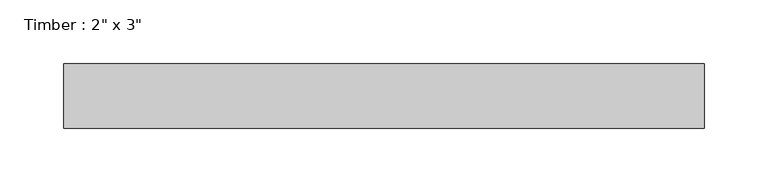
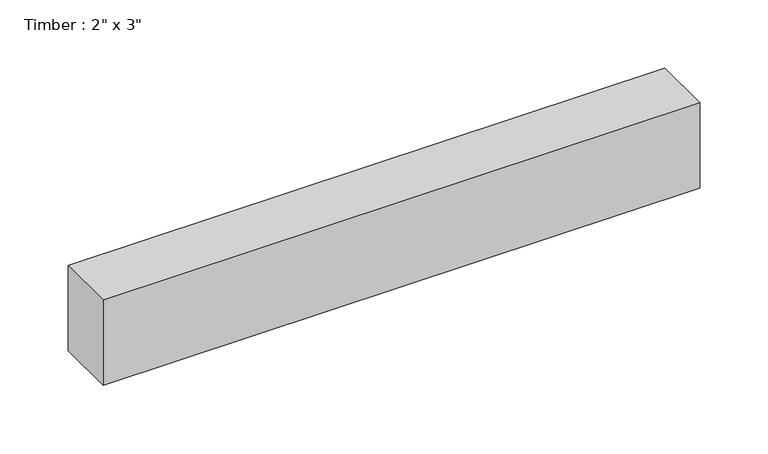
"""IFC4 building model written with IfcOpenShell, lengths in millimetres: beam geometry."""

import ifcopenshell
import ifcopenshell.guid

model = None  # the IFC model being written
_history = None  # IfcOwnerHistory: only IFC2X3 demands one
_inside = {}  # id of a spatial element -> (the spatial element, [elements in it])
_under = {}  # id of a project, library or spatial element -> (it, [spatial elements below it])
_declared = {}  # id of a project -> (the project, [libraries it declares])
_typed = {}  # id of a type object -> (the type object, [elements of that type])
_made_of = {}  # id of a material, layer set ... -> (it, [elements and type objects made of it])


def new_model(schema):
    """Start an empty IFC model of exactly this schema.

    Asked for "IFC4X3", IfcOpenShell would pick the latest addendum, in which some entities
    have other attributes; the version numbers below select the first issue.
    IFC2X3 requires an IfcOwnerHistory on every rooted entity: one is made here for all.
    """
    global model, _history
    if schema == "IFC4X3":
        model = ifcopenshell.file(schema_version=(4, 3, 0, 0))
    else:
        model = ifcopenshell.file(schema=schema)
    _inside.clear()
    _under.clear()
    _declared.clear()
    _typed.clear()
    _made_of.clear()
    _history = None
    if model.schema == "IFC2X3":
        org = make("IfcOrganization", Name="unknown")
        user = make(
            "IfcPersonAndOrganization",
            ThePerson=make("IfcPerson", FamilyName="unknown"),
            TheOrganization=org,
        )
        app = make(
            "IfcApplication",
            ApplicationDeveloper=org,
            Version="unknown",
            ApplicationFullName="unknown",
            ApplicationIdentifier="unknown",
        )
        _history = make(
            "IfcOwnerHistory",
            OwningUser=user,
            OwningApplication=app,
            ChangeAction="ADDED",
            CreationDate=0,
        )
    return model


def make(cls, **values):
    """One entity of the class cls with the attributes given. An attribute that is None is left unset."""
    return model.create_entity(
        cls, **{name: value for name, value in values.items() if value is not None}
    )


def rooted(cls, **values):
    """An entity with a GlobalId (a new one), such as an element, a storey or a relation."""
    return make(cls, GlobalId=ifcopenshell.guid.new(), OwnerHistory=_history, **values)


def si_unit(unit_type, name, prefix=None):
    """IfcSIUnit, for example si_unit("LENGTHUNIT", "METRE", prefix="MILLI")."""
    return make("IfcSIUnit", UnitType=unit_type, Prefix=prefix, Name=name)


def assignment(units):
    """IfcUnitAssignment: the units of a project."""
    return None if units is None else make("IfcUnitAssignment", Units=units)


def point(xyz):
    """IfcCartesianPoint."""
    return None if xyz is None else make("IfcCartesianPoint", Coordinates=xyz)


def direction(xyz):
    """IfcDirection."""
    return None if xyz is None else make("IfcDirection", DirectionRatios=xyz)


def frame(location, z_axis=None, x_axis=None):
    """IfcAxis2Placement3D, a coordinate frame: its origin and axes. An axis left out is left unset."""
    return make(
        "IfcAxis2Placement3D",
        Location=point(location),
        Axis=direction(z_axis),
        RefDirection=direction(x_axis),
    )


def origin():
    """The frame at (0, 0, 0) with its axes left unset."""
    return frame((0.0, 0.0, 0.0))


def place(relative_to, where):
    """IfcLocalPlacement: puts the frame where relative to a parent placement (None: the world)."""
    return make(
        "IfcLocalPlacement", PlacementRelTo=relative_to, RelativePlacement=where
    )


def context(
    kind, dimensions, precision=None, world=None, true_north=None, identifier=None
):
    """IfcGeometricRepresentationContext, for example the 3D "Model" context."""
    return make(
        "IfcGeometricRepresentationContext",
        ContextIdentifier=identifier,
        ContextType=kind,
        CoordinateSpaceDimension=dimensions,
        Precision=precision,
        WorldCoordinateSystem=world,
        TrueNorth=true_north,
    )


def project(units=None, contexts=None):
    """IfcProject with its units and contexts."""
    return rooted(
        "IfcProject",
        Name="project",
        RepresentationContexts=contexts,
        UnitsInContext=assignment(units),
    )


def spatial(cls, under=None, at=None, **own):
    """A site, building, storey or space (cls), placed at a placement, below another one or the project."""
    s = rooted(cls, ObjectPlacement=at, **own)
    if under is not None:
        _under.setdefault(under.id(), (under, []))[1].append(s)
    return s


def polyline(points):
    """IfcPolyline through the points."""
    return make("IfcPolyline", Points=[point(p) for p in points])


def outline(outer, holes=None, kind="AREA"):
    """IfcArbitraryClosedProfileDef: a profile drawn as a closed curve; with holes, ...WithVoids."""
    if holes is None:
        return make("IfcArbitraryClosedProfileDef", ProfileType=kind, OuterCurve=outer)
    return make(
        "IfcArbitraryProfileDefWithVoids",
        ProfileType=kind,
        OuterCurve=outer,
        InnerCurves=holes,
    )


def extrude(swept, where, along, depth):
    """IfcExtrudedAreaSolid: the profile swept, set in the frame where, extruded along a direction by depth."""
    return make(
        "IfcExtrudedAreaSolid",
        SweptArea=swept,
        Position=where,
        ExtrudedDirection=direction(along),
        Depth=depth,
    )


def shape(context_of_items, identifier, shape_type, items):
    """IfcShapeRepresentation: the items that make up one representation, for example the "Body"."""
    return make(
        "IfcShapeRepresentation",
        ContextOfItems=context_of_items,
        RepresentationIdentifier=identifier,
        RepresentationType=shape_type,
        Items=items,
    )


def source(mapping_origin, context_of_items, identifier, shape_type, items):
    """IfcRepresentationMap: a shape defined once, which mapped items show again and again."""
    return make(
        "IfcRepresentationMap",
        MappingOrigin=mapping_origin,
        MappedRepresentation=shape(context_of_items, identifier, shape_type, items),
    )


def transform(
    local_origin,
    x_axis=None,
    y_axis=None,
    z_axis=None,
    scale=None,
    scale2=None,
    scale3=None,
    uniform=True,
):
    """IfcCartesianTransformationOperator3D, or its non-uniform kind. x_axis, y_axis, z_axis: its Axis1, 2, 3."""
    if uniform:
        return make(
            "IfcCartesianTransformationOperator3D",
            Axis1=direction(x_axis),
            Axis2=direction(y_axis),
            LocalOrigin=point(local_origin),
            Scale=scale,
            Axis3=direction(z_axis),
        )
    return make(
        "IfcCartesianTransformationOperator3DnonUniform",
        Axis1=direction(x_axis),
        Axis2=direction(y_axis),
        LocalOrigin=point(local_origin),
        Scale=scale,
        Axis3=direction(z_axis),
        Scale2=scale2,
        Scale3=scale3,
    )


def mapped(mapping_source, mapping_target):
    """IfcMappedItem: shows the shape of a source again, moved by a transform."""
    return make(
        "IfcMappedItem", MappingSource=mapping_source, MappingTarget=mapping_target
    )


def made_of(thing, what):
    """Note that an element or type object is made of a material, layer set ...; save() writes the relation."""
    if what is not None:
        _made_of.setdefault(what.id(), (what, []))[1].append(thing)
    return thing


def element(
    cls,
    number,
    at=None,
    inside=None,
    cuts=None,
    type_object=None,
    material=None,
    context=None,
    identifier="Body",
    shape_type=None,
    held_by="IfcProductDefinitionShape",
    body=None,
    shapes=None,
    **own,
):
    """One element of the class cls, such as IfcWall. Its Tag is "e" and its number.

    at: its placement. inside: the storey or other place that contains it. cuts: it is an
    opening in that element (IfcRelVoidsElement). A single representation is given by context,
    identifier, shape_type and body (its items); several are given by shapes. held_by: the class
    of the entity that holds the representations. save() writes the other relations.
    """
    e = rooted(cls, Tag="e%d" % number, ObjectPlacement=at, **own)
    if body is not None:
        shapes = [shape(context, identifier, shape_type, body)]
    if shapes is not None:
        e.Representation = make(held_by, Representations=shapes)
    if inside is not None:
        _inside.setdefault(inside.id(), (inside, []))[1].append(e)
    if cuts is not None:
        rooted(
            "IfcRelVoidsElement", RelatingBuildingElement=cuts, RelatedOpeningElement=e
        )
    if type_object is not None:
        _typed.setdefault(type_object.id(), (type_object, []))[1].append(e)
    return made_of(e, material)


def aggregate(whole, parts):
    """IfcRelAggregates: a whole, such as a stair, and the parts it consists of."""
    return rooted("IfcRelAggregates", RelatingObject=whole, RelatedObjects=parts)


def save(model, path):
    """Write the relations noted so far, then the file.

    IfcRelAggregates (storeys below a building ...), IfcRelContainedInSpatialStructure (elements
    in a storey), IfcRelDefinesByType, IfcRelAssociatesMaterial and IfcRelDeclares: one each for
    every whole, place, type object, material and project.
    """
    for whole, parts in _under.values():
        aggregate(whole, parts)
    for where, things in _inside.values():
        rooted(
            "IfcRelContainedInSpatialStructure",
            RelatedElements=things,
            RelatingStructure=where,
        )
    for kind, things in _typed.values():
        rooted("IfcRelDefinesByType", RelatedObjects=things, RelatingType=kind)
    for what, things in _made_of.values():
        rooted("IfcRelAssociatesMaterial", RelatedObjects=things, RelatingMaterial=what)
    for by, libraries in _declared.values():
        rooted("IfcRelDeclares", RelatingContext=by, RelatedDefinitions=libraries)
    model.write(path)


def beam_623a7ec0(model_context):
    return source(origin(), model_context, "Body", "SweptSolid", [
        extrude(outline(polyline([(251.7321802, -25.4), (-251.7321802, -25.4), (-251.7321802, 25.4), (251.7321802, 25.4), (251.7321802, -25.4)])), frame((0.0, 0.0, -38.1), z_axis=(0.0, 0.0, 1.0), x_axis=(1.0, 0.0, 0.0)), (0.0, 0.0, 1.0), 76.2),
    ])


if __name__ == "__main__":
    model = new_model("IFC4")
    model_context = context("Model", 3, world=origin())
    ifc_project = project(units=[si_unit("LENGTHUNIT", "METRE", prefix="MILLI")], contexts=[model_context])
    site = spatial("IfcSite", under=ifc_project)
    building = spatial("IfcBuilding", under=site)
    placement = place(None, origin())
    beam_shape = beam_623a7ec0(model_context)
    element("IfcBeam", 1, ObjectType="Timber : 2\" x 3\"", at=placement, inside=building, context=model_context, shape_type="MappedRepresentation", body=[
        mapped(beam_shape, transform((0.0, 0.0, 0.0), x_axis=(1.0, 0.0, 0.0), y_axis=(0.0, 1.0, 0.0), z_axis=(0.0, 0.0, 1.0))),
    ])
    save(model, "model.ifc")
